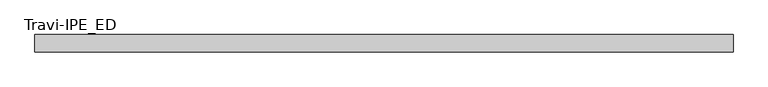
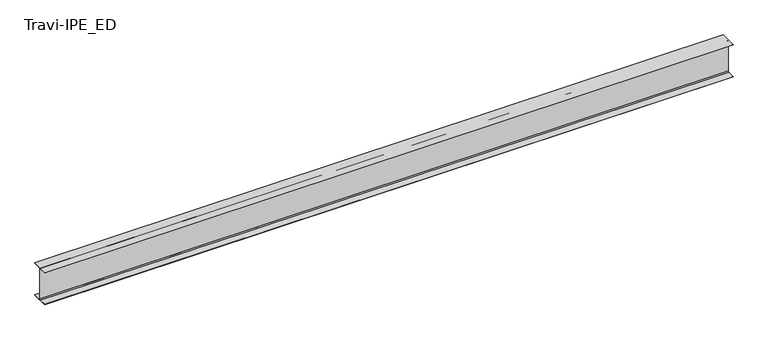
"""IFC4 building model written with IfcOpenShell, lengths in millimetres: beam geometry, Travi-IPE_ED."""

from ifc_helpers import new_model, si_unit, point, frame, frame_2d, origin, place, context, project, spatial, polyline, circle_curve, trimmed, segment, composite_curve, outline, extrude, source, transform, mapped, element, save


def travi_ipe_ed_1ef32708(model_context):
    return source(origin(), model_context, "Body", "SweptSolid", [
        extrude(outline(composite_curve([segment(polyline([(75.0, -147.0), (75.0, -150.0), (-75.0, -150.0), (-75.0, -147.0), (-8.5, -147.0)]), True, "CONTINUOUS"), segment(trimmed(circle_curve(frame_2d((-8.5, -140.0)), 7.0), [point((-8.5, -147.0))], [point((-1.5, -140.0))], True, "CARTESIAN"), True, "CONTINUOUS"), segment(polyline([(-1.5, -140.0), (-1.5, 140.0)]), True, "CONTINUOUS"), segment(trimmed(circle_curve(frame_2d((-8.5, 140.0)), 7.0), [point((-1.5, 140.0))], [point((-8.5, 147.0))], True, "CARTESIAN"), True, "CONTINUOUS"), segment(polyline([(-8.5, 147.0), (-75.0, 147.0), (-75.0, 150.0), (75.0, 150.0), (75.0, 147.0), (8.5, 147.0)]), True, "CONTINUOUS"), segment(trimmed(circle_curve(frame_2d((8.5, 140.0)), 7.0), [point((8.5, 147.0))], [point((1.5, 140.0))], True, "CARTESIAN"), True, "CONTINUOUS"), segment(polyline([(1.5, 140.0), (1.5, -140.0)]), True, "CONTINUOUS"), segment(trimmed(circle_curve(frame_2d((8.5, -140.0)), 7.0), [point((1.5, -140.0))], [point((8.5, -147.0))], True, "CARTESIAN"), True, "CONTINUOUS"), segment(polyline([(8.5, -147.0), (75.0, -147.0)]), True, "CONTINUOUS")], self_intersect=False)), frame((-3070.1850425, 0.0, 0.0), z_axis=(1.0, 0.0, 0.0), x_axis=(0.0, 1.0, 0.0)), (0.0, 0.0, 1.0), 6070.1850425),
    ])


if __name__ == "__main__":
    model = new_model("IFC4")
    model_context = context("Model", 3, world=origin())
    ifc_project = project(units=[si_unit("LENGTHUNIT", "METRE", prefix="MILLI")], contexts=[model_context])
    site = spatial("IfcSite", under=ifc_project)
    building = spatial("IfcBuilding", under=site)
    placement = place(None, origin())
    travi_ipe_ed_shape = travi_ipe_ed_1ef32708(model_context)
    element("IfcBeam", 1, ObjectType="Travi-IPE_ED", at=placement, inside=building, context=model_context, shape_type="MappedRepresentation", body=[
        mapped(travi_ipe_ed_shape, transform((0.0, 0.0, 0.0), x_axis=(1.0, 0.0, 0.0), y_axis=(0.0, 1.0, 0.0), z_axis=(0.0, 0.0, 1.0))),
    ])
    save(model, "model.ifc")
